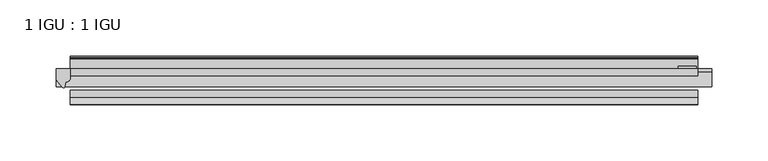
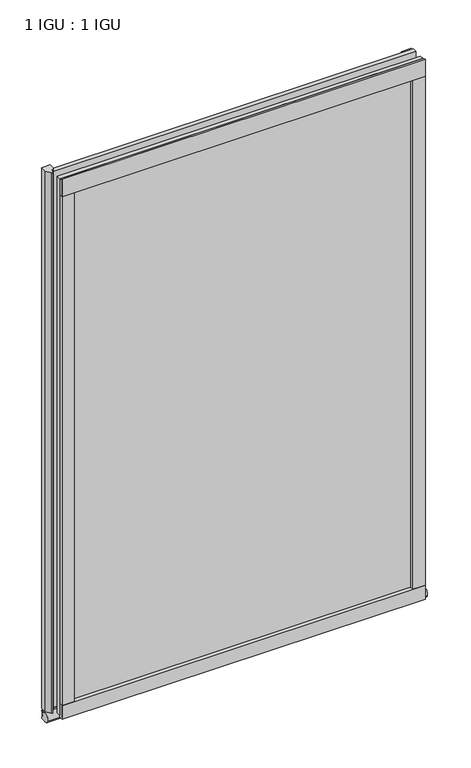
"""IFC4 building model written with IfcOpenShell, lengths in millimetres: plate geometry, 1 IGU : 1 IGU."""

from ifc_helpers import new_model, si_unit, point, frame, frame_2d, origin, place, context, project, spatial, polyline, circle_curve, ellipse_curve, trimmed, segment, composite_curve, outline, extrude, source, transform, mapped, element, save
from ifc_brep_helpers import plane_surface, revolved_surface, extruded_surface, advanced_brep


def plate_1_igu_1_igu_fa98413a(model_context):
    return source(origin(), model_context, "Body", "SolidModel", [
        extrude(outline(polyline([(278.9031125, 0.0021347), (278.9031125, -6.2992), (-278.9031125, -6.2992), (-278.9031125, 0.0021347), (278.9031125, 0.0021347)])), frame((0.0, 0.0, -19.05), z_axis=(0.0, 0.0, 1.0), x_axis=(1.0, 0.0, 0.0)), (0.0, 0.0, 1.0), 869.9368072),
        extrude(outline(polyline([(-278.9031125, -19.0986653), (278.9031125, -19.0986653), (278.9031125, -25.3978653), (-278.9031125, -25.3978653), (-278.9031125, -19.0986653)])), frame((0.0, 0.0, -19.05), z_axis=(0.0, 0.0, 1.0), x_axis=(1.0, 0.0, 0.0)), (0.0, 0.0, 1.0), 869.9368072),
        advanced_brep(
        [(291.6031125, -2.9334208, -29.3692082), (291.6031125, -15.7658436, -30.8313288), (291.6031125, -6.7904952, -34.925), (291.6031125, 0.0, -34.925), (291.6031125, 0.0, -22.225), (291.6031125, -2.5187477, -22.225), (-291.6031125, -2.9073519, -29.3720514), (-291.6031125, -2.5187477, -22.225), (-291.6031125, 0.0, -22.225), (-291.6031125, 0.0, -34.925), (-291.6031125, -6.7904952, -34.925), (-291.6031125, -15.7658436, -30.8313288)],
        [
            (0, 1, ellipse_curve(frame((291.6031125, -9.5065066, -28.575), z_axis=(1.0, 0.0, 0.0), x_axis=(0.0, 0.0, -1.0)), 6.9638038, 6.6162554)),
            (1, 2, ellipse_curve(frame((291.6031125, -9.5065066, -28.575), z_axis=(1.0, 0.0, 0.0), x_axis=(0.0, 0.0, -1.0)), 6.9638038, 6.6162554)),
            (2, 3),
            (3, 4, circle_curve(frame((291.6031125, 24.1576838, -28.575), z_axis=(-1.0, 0.0, 0.0), x_axis=(0.0, 0.0, 1.0)), 24.9783143)),
            (4, 5),
            (5, 0, circle_curve(frame((291.6031125, -68.4358767, -22.225), z_axis=(-1.0, 0.0, 0.0), x_axis=(0.0, 0.0, 1.0)), 65.917129)),
            (6, 7, circle_curve(frame((-291.6031125, -68.4358767, -22.225), z_axis=(1.0, 0.0, 0.0), x_axis=(0.0, 0.0, 1.0)), 65.917129)),
            (7, 8),
            (8, 9, circle_curve(frame((-291.6031125, 24.1576838, -28.575), z_axis=(1.0, 0.0, 0.0), x_axis=(0.0, 0.0, 1.0)), 24.9783143)),
            (9, 10),
            (10, 11, ellipse_curve(frame((-291.6031125, -9.5065066, -28.575), z_axis=(-1.0, 0.0, 0.0), x_axis=(0.0, 0.0, -1.0)), 6.9638038, 6.6162554)),
            (11, 6, ellipse_curve(frame((-291.6031125, -9.5065066, -28.575), z_axis=(-1.0, 0.0, 0.0), x_axis=(0.0, 0.0, -1.0)), 6.9638038, 6.6162554)),
            (0, 6),
            (11, 1),
            (10, 2),
            (9, 3),
            (8, 4),
            (7, 5),
        ],
        [
            plane_surface(frame((291.6031125, 0.0, -28.575), z_axis=(1.0, 0.0, 0.0), x_axis=(0.0, 1.0, 0.0))),
            plane_surface(frame((-291.6031125, 0.0, -28.575), z_axis=(-1.0, 0.0, 0.0), x_axis=(0.0, 1.0, 0.0))),
            extruded_surface(trimmed(ellipse_curve(frame((-291.6031125, -9.5065066, -28.575), z_axis=(1.0, 0.0, 0.0), x_axis=(0.0, 0.0, -1.0)), 6.9638038, 6.6162554), [point((-291.6031125, -2.9334208, -29.3692082))], [point((-291.6031125, -15.7658436, -30.8313288))], True, "CARTESIAN"), (583.206225, 0.0, 0.0), 583.206225),
            extruded_surface(trimmed(ellipse_curve(frame((-291.6031125, -9.5065066, -28.575), z_axis=(1.0, 0.0, 0.0), x_axis=(0.0, 0.0, -1.0)), 6.9638038, 6.6162554), [point((-291.6031125, -15.7658436, -30.8313288))], [point((-291.6031125, -6.7904952, -34.925))], True, "CARTESIAN"), (583.206225, 0.0, 0.0), 583.206225),
            plane_surface(frame((291.6031125, -6.7904952, -34.925), z_axis=(0.0, 0.0, -1.0), x_axis=(-1.0, 0.0, 0.0))),
            revolved_surface(polyline([(-291.6031125, 24.1576838, -3.5966856999999983), (291.6031125, 24.1576838, -3.5966856999999983)]), (291.6031125, 24.1576838, -28.575), (-1.0, 0.0, 0.0)),
            plane_surface(frame((291.6031125, 0.0, -22.225), z_axis=(0.0, 0.0, 1.0), x_axis=(-1.0, 0.0, 0.0))),
            revolved_surface(polyline([(-291.6031125, -68.4358767, 43.692129), (291.6031125, -68.4358767, 43.692129)]), (291.6031125, -68.4358767, -22.225), (-1.0, 0.0, 0.0)),
        ],
        [
            (0, [[1, 2, 3, 4, 5, 6]]),
            (1, [[7, 8, 9, 10, 11, 12]]),
            (2, [[-1, 13, -12, 14]]),
            (3, [[-2, -14, -11, 15]]),
            (4, [[-3, -15, -10, 16]]),
            (5, [[-4, -16, -9, 17]]),
            (6, [[-5, -17, -8, 18]]),
            (7, [[-6, -18, -7, -13]]),
        ],
    ),
        extrude(outline(composite_curve([segment(polyline([(-278.9031125, 8.8e-06), (-278.9031125, -7.7683362)]), True, "CONTINUOUS"), segment(trimmed(circle_curve(frame_2d((-282.8746104, -7.7683362)), 3.9714979), [point((-278.9031125, -7.7683362))], [point((-283.0020623, -11.7377885))], False, "CARTESIAN"), True, "CONTINUOUS"), segment(polyline([(-283.0020623, -11.7377885), (-283.9820968, -16.012436)]), True, "CONTINUOUS"), segment(trimmed(circle_curve(frame_2d((-285.0833058, -15.7723555)), 1.1270758), [point((-283.9820968, -16.012436))], [point((-286.0371452, -16.372764))], False, "CARTESIAN"), True, "CONTINUOUS"), segment(polyline([(-286.0371452, -16.372764), (-291.6031125, -9.7395025), (-291.6031125, 8.8e-06), (-278.9031125, 8.8e-06)]), True, "CONTINUOUS")], self_intersect=False)), frame((0.0, 0.0, -19.05), z_axis=(0.0, 0.0, 1.0), x_axis=(1.0, 0.0, 0.0)), (0.0, 0.0, 1.0), 877.0742072),
        extrude(outline(composite_curve([segment(polyline([(-31.75, 0.0), (-25.4, 0.0), (-25.4, -22.225)]), True, "CONTINUOUS"), segment(trimmed(circle_curve(frame_2d((-28.575, -28.9113452)), 7.4018806), [point((-25.4, -22.225))], [point((-31.75, -22.225))], True, "CARTESIAN"), True, "CONTINUOUS"), segment(polyline([(-31.75, -22.225), (-31.75, 0.0)]), True, "CONTINUOUS")], self_intersect=False)), frame((-278.9031125, 0.0, 0.0), z_axis=(1.0, 0.0, 0.0), x_axis=(0.0, 1.0, 0.0)), (0.0, 0.0, 1.0), 557.806225),
        extrude(outline(composite_curve([segment(polyline([(8.509, 840.7300284), (8.509, 838.6980284), (6.35, 838.6980284), (6.35, 833.3640284), (8.9492698, 833.3640284)]), True, "CONTINUOUS"), segment(trimmed(circle_curve(frame_2d((8.208689, 831.8368072)), 1.697311), [point((8.9492698, 833.3640284))], [point((8.962411, 830.3160284))], False, "CARTESIAN"), True, "CONTINUOUS"), segment(polyline([(8.962411, 830.3160284), (6.35, 830.3160284), (6.35, 825.4868072), (11.1252, 825.4868072), (11.1252, 824.5978072)]), True, "CONTINUOUS"), segment(trimmed(circle_curve(frame_2d((10.1092, 824.5978072)), 1.016), [point((11.1252, 824.5978072))], [point((10.1092, 823.5818072))], False, "CARTESIAN"), True, "CONTINUOUS"), segment(trimmed(circle_curve(frame_2d((10.1092, 804.1707318)), 19.4110754), [point((10.1092, 823.5818072))], [point((0.0, 820.7416075))], True, "CARTESIAN"), True, "CONTINUOUS"), segment(polyline([(0.0, 820.7416075), (0.0, 840.7300284), (8.509, 840.7300284)]), True, "CONTINUOUS")], self_intersect=False)), frame((-278.9031125, 0.0, 0.0), z_axis=(1.0, 0.0, 0.0), x_axis=(0.0, 1.0, 0.0)), (0.0, 0.0, 1.0), 557.806225),
        extrude(outline(composite_curve([segment(polyline([(-25.4, 850.8868072), (-25.4, 825.4868072), (-31.75, 825.4868072), (-31.75, 853.6597045)]), True, "CONTINUOUS"), segment(trimmed(circle_curve(frame_2d((-24.1401272, 862.4292187)), 11.6109665), [point((-31.75, 853.6597045))], [point((-25.4, 850.8868072))], True, "CARTESIAN"), True, "CONTINUOUS")], self_intersect=False)), frame((-278.9031125, 0.0, 0.0), z_axis=(1.0, 0.0, 0.0), x_axis=(0.0, 1.0, 0.0)), (0.0, 0.0, 1.0), 557.806225),
        extrude(outline(composite_curve([segment(polyline([(259.8531125, -25.4), (278.9031125, -25.4)]), True, "CONTINUOUS"), segment(trimmed(circle_curve(frame_2d((288.3692632, -28.575)), 9.9844196), [point((278.9031125, -25.4))], [point((278.9031125, -31.75))], True, "CARTESIAN"), True, "CONTINUOUS"), segment(polyline([(278.9031125, -31.75), (259.8531125, -31.75), (259.8531125, -25.4)]), True, "CONTINUOUS")], self_intersect=False)), frame((0.0, 0.0, -19.05), z_axis=(0.0, 0.0, 1.0), x_axis=(1.0, 0.0, 0.0)), (0.0, 0.0, 1.0), 869.9368072),
        extrude(outline(polyline([(277.6966125, 2.2860088), (277.6966125, 0.0021347), (261.8216125, 0.0021347), (261.8216125, 2.2860088), (277.6966125, 2.2860088)])), frame((0.0, 0.0, -19.05), z_axis=(0.0, 0.0, 1.0), x_axis=(1.0, 0.0, 0.0)), (0.0, 0.0, 1.0), 869.9368072),
        extrude(outline(composite_curve([segment(trimmed(circle_curve(frame_2d((-288.3692632, -28.575)), 9.9844196), [point((-278.9031125, -31.75))], [point((-278.9031125, -25.4))], True, "CARTESIAN"), True, "CONTINUOUS"), segment(polyline([(-278.9031125, -25.4), (-259.8531125, -25.4), (-259.8531125, -31.75), (-278.9031125, -31.75)]), True, "CONTINUOUS")], self_intersect=False)), frame((0.0, 0.0, -19.05), z_axis=(0.0, 0.0, 1.0), x_axis=(1.0, 0.0, 0.0)), (0.0, 0.0, 1.0), 869.9368072),
    ])


if __name__ == "__main__":
    model = new_model("IFC4")
    model_context = context("Model", 3, world=origin())
    ifc_project = project(units=[si_unit("LENGTHUNIT", "METRE", prefix="MILLI")], contexts=[model_context])
    site = spatial("IfcSite", under=ifc_project)
    building = spatial("IfcBuilding", under=site)
    placement = place(None, origin())
    plate_1_igu_1_igu_shape = plate_1_igu_1_igu_fa98413a(model_context)
    element("IfcPlate", 1, ObjectType="1 IGU : 1 IGU", at=placement, inside=building, context=model_context, shape_type="MappedRepresentation", body=[
        mapped(plate_1_igu_1_igu_shape, transform((0.0, 0.0, 0.0), x_axis=(1.0, 0.0, 0.0), y_axis=(0.0, 1.0, 0.0), z_axis=(0.0, 0.0, 1.0))),
    ])
    save(model, "model.ifc")
